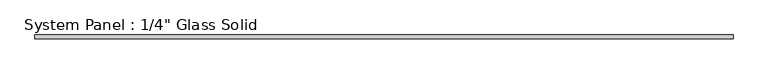
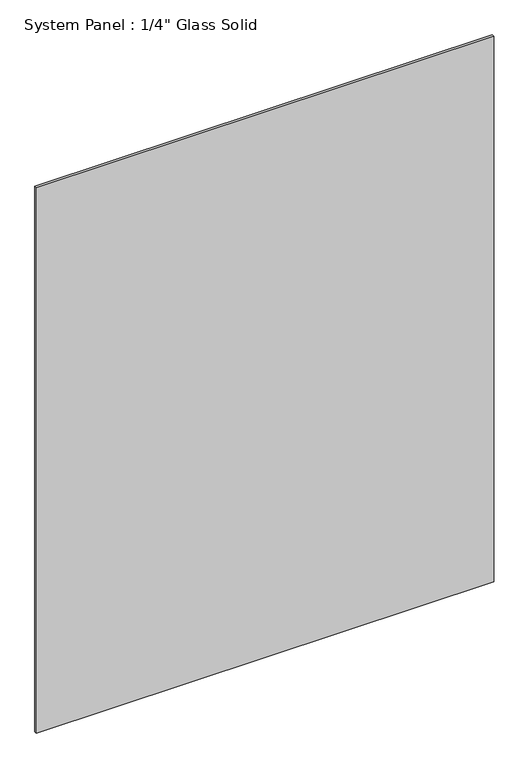
"""IFC4 building model written with IfcOpenShell, lengths in millimetres: plate geometry."""

from ifc_helpers import new_model, si_unit, origin, origin_with_axes, place, context, project, spatial, polyline, outline, extrude, source, transform, mapped, element, save


def plate_3104d19b(model_context):
    return source(origin(), model_context, "Body", "SweptSolid", [
        extrude(outline(polyline([(571.5008852, -3.175), (-571.5008852, -3.175), (-571.5008852, 3.175), (571.5008852, 3.175), (571.5008852, -3.175)])), origin_with_axes(), (0.0, 0.0, 1.0), 1440.1817704),
    ])


if __name__ == "__main__":
    model = new_model("IFC4")
    model_context = context("Model", 3, world=origin())
    ifc_project = project(units=[si_unit("LENGTHUNIT", "METRE", prefix="MILLI")], contexts=[model_context])
    site = spatial("IfcSite", under=ifc_project)
    building = spatial("IfcBuilding", under=site)
    placement = place(None, origin())
    plate_shape = plate_3104d19b(model_context)
    element("IfcPlate", 1, ObjectType="System Panel : 1/4\" Glass Solid", at=placement, inside=building, context=model_context, shape_type="MappedRepresentation", body=[
        mapped(plate_shape, transform((0.0, 0.0, 0.0), x_axis=(1.0, 0.0, 0.0), y_axis=(0.0, 1.0, 0.0), z_axis=(0.0, 0.0, 1.0))),
    ])
    save(model, "model.ifc")
